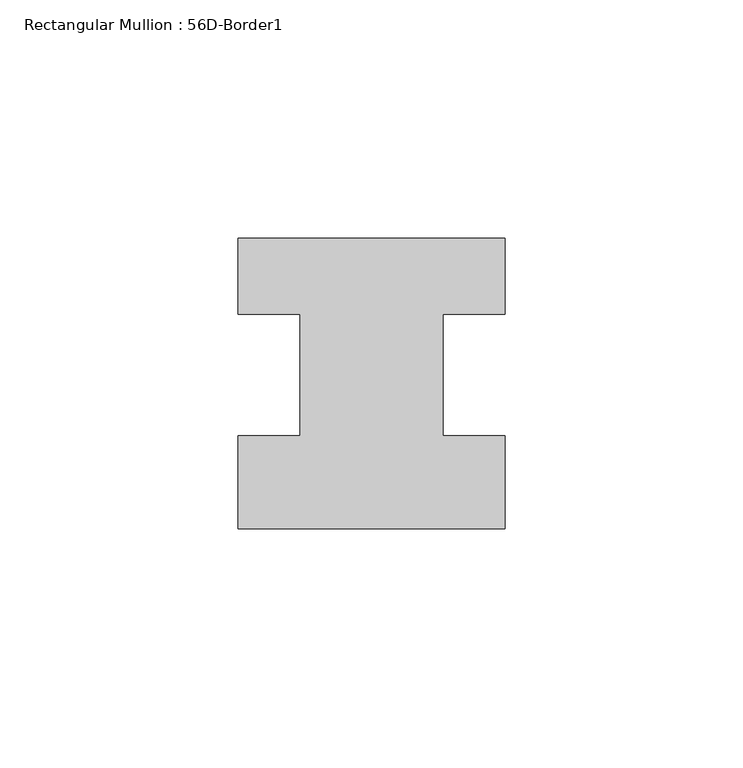
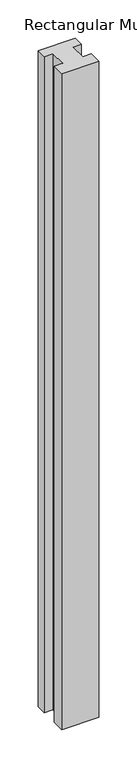
"""IFC4 building model written with IfcOpenShell, lengths in millimetres: member geometry, Rectangular Mullion : 56D-Border1."""

from ifc_helpers import new_model, si_unit, frame, origin, place, context, project, spatial, polyline, outline, extrude, source, transform, mapped, element, save


def rectangular_mullion_56d_border1_ca2325b7(model_context):
    return source(origin(), model_context, "Body", "SweptSolid", [
        extrude(outline(polyline([(-56.0, -20.0), (-56.0, -0.5), (-43.0, -0.5), (-43.0, 25.0), (-56.0, 25.0), (-56.0, 41.0), (0.0, 41.0), (0.0, 25.0), (-13.0, 25.0), (-13.0, -0.5), (0.0, -0.5), (0.0, -20.0), (-56.0, -20.0)])), frame((0.0, 0.0, -1047.5608973), z_axis=(0.0, 0.0, 1.0), x_axis=(1.0, 0.0, 0.0)), (0.0, 0.0, 1.0), 1047.5608973),
    ])


if __name__ == "__main__":
    model = new_model("IFC4")
    model_context = context("Model", 3, world=origin())
    ifc_project = project(units=[si_unit("LENGTHUNIT", "METRE", prefix="MILLI")], contexts=[model_context])
    site = spatial("IfcSite", under=ifc_project)
    building = spatial("IfcBuilding", under=site)
    placement = place(None, origin())
    rectangular_mullion_56d_border1_shape = rectangular_mullion_56d_border1_ca2325b7(model_context)
    element("IfcMember", 1, ObjectType="Rectangular Mullion : 56D-Border1", at=placement, inside=building, context=model_context, shape_type="MappedRepresentation", body=[
        mapped(rectangular_mullion_56d_border1_shape, transform((0.0, 0.0, 0.0), x_axis=(1.0, 0.0, 0.0), y_axis=(0.0, 1.0, 0.0), z_axis=(0.0, 0.0, 1.0))),
    ])
    save(model, "model.ifc")
